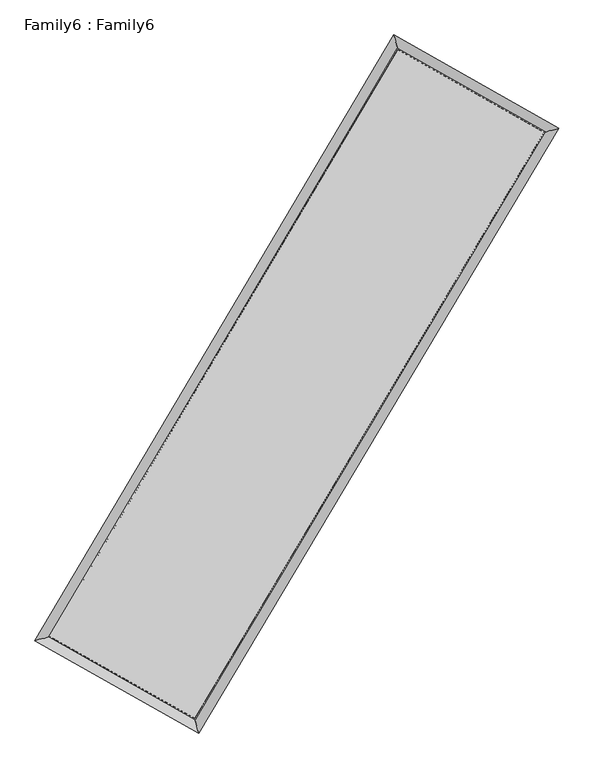
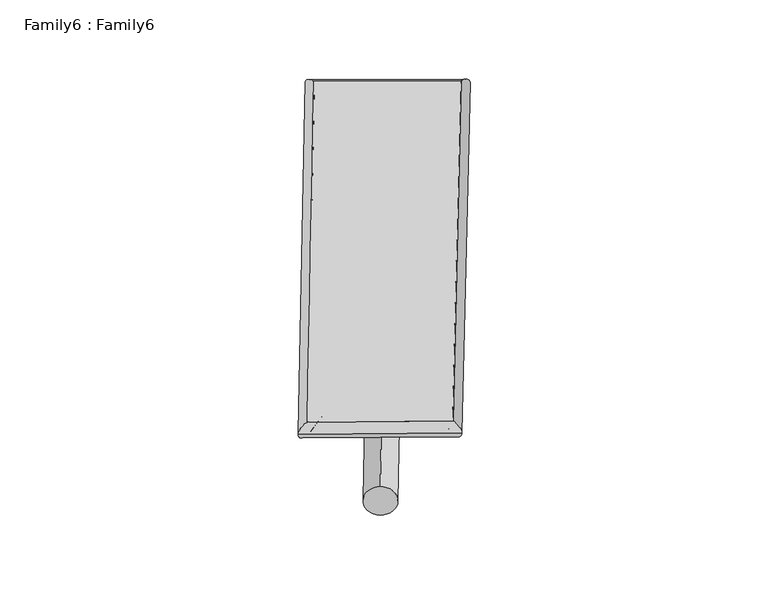
"""IFC4 building model written with IfcOpenShell, lengths in millimetres: plate geometry, Family6 : Family6."""

from ifc_helpers import new_model, si_unit, point, frame, origin, origin_2d, place, context, project, spatial, circle_curve, ellipse_curve, trimmed, segment, composite_curve, outline, extrude, source, transform, mapped, element, save
from ifc_brep_helpers import plane_surface, cylinder_surface, spline_surface, advanced_brep


def family6_family6_0fd2f6f8(model_context):
    return source(origin(), model_context, "Body", "SolidModel", [
        extrude(outline(composite_curve([segment(trimmed(circle_curve(origin_2d(), 76.2), [point((-75.4341514, -10.7763074))], [point((75.4341514, 10.7763074))], False, "CARTESIAN"), True, "CONTINUOUS"), segment(trimmed(circle_curve(origin_2d(), 76.2), [point((75.4341514, 10.7763074))], [point((-75.4341514, -10.7763074))], False, "CARTESIAN"), True, "CONTINUOUS")], self_intersect=False)), frame((9144.0, 9144.0, 0.0), z_axis=(0.6754645994430306, 0.6856260576853421, 0.2714120187503168), x_axis=(-0.6776129937225829, 0.7223041301474186, -0.13826559337123623)), (0.0, 0.0, 1.0), 5593.7351685),
        extrude(outline(composite_curve([segment(trimmed(circle_curve(origin_2d(), 76.2), [point((-53.8815367, 53.8815367))], [point((53.8815367, -53.8815367))], False, "CARTESIAN"), True, "CONTINUOUS"), segment(trimmed(circle_curve(origin_2d(), 76.2), [point((53.8815367, -53.8815367))], [point((-53.8815367, 53.8815367))], False, "CARTESIAN"), True, "CONTINUOUS")], self_intersect=False)), frame((9144.0, 9144.0, 0.0), z_axis=(-0.6738952157019648, -0.6871447693799909, 0.27147247405164593), x_axis=(0.6403408620494276, -0.35991933120683367, 0.6785437756058349)), (0.0, 0.0, 1.0), 5592.1214717),
        extrude(outline(composite_curve([segment(trimmed(circle_curve(origin_2d(), 76.2), [point((-53.8815367, -53.8815368))], [point((53.8815367, 53.8815368))], False, "CARTESIAN"), True, "CONTINUOUS"), segment(trimmed(circle_curve(origin_2d(), 76.2), [point((53.8815367, 53.8815368))], [point((-53.8815367, -53.8815368))], False, "CARTESIAN"), True, "CONTINUOUS")], self_intersect=False)), frame((9144.0, 9144.0, 0.0), z_axis=(0.2765327523416847, 0.9207095967688256, 0.27536062772320835), x_axis=(-0.8397328652638307, 0.37083814617384986, -0.3966456659767501)), (0.0, 0.0, 1.0), 5544.4770974),
        extrude(outline(composite_curve([segment(trimmed(circle_curve(origin_2d(), 76.2), [point((-75.4341514, 10.7763074))], [point((75.4341514, -10.7763074))], False, "CARTESIAN"), True, "CONTINUOUS"), segment(trimmed(circle_curve(origin_2d(), 76.2), [point((75.4341514, -10.7763074))], [point((-75.4341514, 10.7763074))], False, "CARTESIAN"), True, "CONTINUOUS")], self_intersect=False)), frame((9144.0, 9144.0, 0.0), z_axis=(-0.2785877999153084, -0.9200447999112338, 0.2755111683664496), x_axis=(0.8770397429877629, -0.1268046464856429, 0.4633809133419396)), (0.0, 0.0, 1.0), 5541.1984447),
        advanced_brep(
        [(5165.0410888, 5245.183878, 1518.7702156), (5585.9534974, 5357.625572, 1518.9716573), (5585.9511004, 5357.622084, 1517.4438867), (10732.2077003, 14042.6825142, 1525.8146355), (10622.2513238, 14455.0240311, 1527.6467524), (5165.0386917, 5245.18039, 1517.2424449), (12711.6592146, 12923.288852, 1518.299592), (13133.0809554, 13035.1323306, 1518.1143169), (7545.5510785, 4251.7341509, 1526.5069046), (7655.0283543, 3839.9642205, 1526.8172107)],
        [
            (0, 1, ellipse_curve(frame((5375.4960946, 5301.402981, 1518.1070511), z_axis=(-0.2580865255312288, 0.9661201284280412, -0.0018007735569896947), x_axis=(-0.9661162073089131, -0.2580909273439739, -0.0029235590927507936)), 217.8396194, 152.4)),
            (1, 2, ellipse_curve(frame((5375.4960946, 5301.402981, 1518.1070511), z_axis=(-0.2580865255312288, 0.9661201284280412, -0.0018007735569896947), x_axis=(-0.9661162073089131, -0.2580909273439739, -0.0029235590927507936)), 217.8396194, 152.4)),
            (2, 3),
            (3, 4, ellipse_curve(frame((10677.229512, 14248.8532727, 1526.7306939), z_axis=(-0.966232365822528, -0.2576664742439918, 0.0017329996164663281), x_axis=(0.257660792648256, -0.9662309221840862, -0.0029531249825354806)), 213.3773664, 152.4)),
            (4, 0),
            (2, 5, ellipse_curve(frame((5375.4960946, 5301.402981, 1518.1070511), z_axis=(-0.2580865255312288, 0.9661201284280412, -0.0018007735569896947), x_axis=(-0.9661162073089131, -0.2580909273439739, -0.0029235590927507936)), 217.8396194, 152.4)),
            (5, 0, ellipse_curve(frame((5375.4960946, 5301.402981, 1518.1070511), z_axis=(-0.2580865255312288, 0.9661201284280412, -0.0018007735569896947), x_axis=(-0.9661162073089131, -0.2580909273439739, -0.0029235590927507936)), 217.8396194, 152.4)),
            (4, 3, ellipse_curve(frame((10677.229512, 14248.8532727, 1526.7306939), z_axis=(-0.966232365822528, -0.2576664742439918, 0.0017329996164663281), x_axis=(0.257660792648256, -0.9662309221840862, -0.0029531249825354806)), 213.3773664, 152.4)),
            (3, 6),
            (6, 7, ellipse_curve(frame((12922.370085, 12979.2105913, 1518.2069544), z_axis=(-0.25651436156625823, 0.9665387764991057, 0.0017820869414192247), x_axis=(-0.9665349884426663, -0.2565186651023303, 0.0028793350366447955)), 218.0060091, 152.4)),
            (7, 4),
            (7, 6, ellipse_curve(frame((12922.370085, 12979.2105913, 1518.2069544), z_axis=(-0.25651436156625823, 0.9665387764991057, 0.0017820869414192247), x_axis=(-0.9665349884426663, -0.2565186651023303, 0.0028793350366447955)), 218.0060091, 152.4)),
            (6, 8),
            (8, 9, ellipse_curve(frame((7600.2897164, 4045.8491857, 1526.6620576), z_axis=(0.9664245013910795, 0.2569446283077285, 0.0017723134053125246), x_axis=(-0.2569387914588401, 0.9664230896960362, -0.0029781111527536113)), 213.0379793, 152.4)),
            (9, 7),
            (9, 8, ellipse_curve(frame((7600.2897164, 4045.8491857, 1526.6620576), z_axis=(0.9664245013910795, 0.2569446283077285, 0.0017723134053125246), x_axis=(-0.2569387914588401, 0.9664230896960362, -0.0029781111527536113)), 213.0379793, 152.4)),
            (8, 1),
            (5, 9),
        ],
        [
            cylinder_surface(frame((5375.4960946, 5301.402981, 1518.1070511), z_axis=(-0.5097695266240516, -0.8603106079739952, -0.0008291760399687198), x_axis=(-0.8603014769949923, 0.5097591059437968, 0.005198325462652423)), 152.4),
            cylinder_surface(frame((10677.229512, 14248.8532727, 1526.7306939), z_axis=(-0.8704500818695798, 0.49224560334104356, 0.0033046882839852937), x_axis=(0.492254374601796, 0.8704469796131377, 0.00277242993795516)), 152.4),
            cylinder_surface(frame((12922.370085, 12979.2105913, 1518.2069544), z_axis=(0.5118105299597225, 0.8590979689665179, -0.0008131051296054139), x_axis=(0.8590983245905693, -0.5118105299597225, 0.00022384821792239976)), 152.4),
            cylinder_surface(frame((7600.2897164, 4045.8491857, 1526.6620576), z_axis=(0.870882776746534, -0.49147937357304783, 0.003348808518110191), x_axis=(-0.49147431148512555, -0.870889157912089, -0.0022529494877646977)), 152.4),
        ],
        [
            (0, [[1, 2, 3, 4, 5]]),
            (0, [[6, 7, -5, 8, -3]]),
            (1, [[-4, 9, 10, 11]]),
            (1, [[-8, -11, 12, -9]]),
            (2, [[-10, 13, 14, 15]]),
            (2, [[-12, -15, 16, -13]]),
            (3, [[-14, 17, -1, -7, 18]]),
            (3, [[-16, -18, -6, -2, -17]]),
        ],
    ),
        extrude(outline(composite_curve([segment(trimmed(circle_curve(origin_2d(), 304.8), [point((-1e-07, 304.8))], [point((0.0, -304.8))], False, "CARTESIAN"), True, "CONTINUOUS"), segment(trimmed(circle_curve(origin_2d(), 304.8), [point((0.0, -304.8))], [point((-1e-07, 304.8))], False, "CARTESIAN"), True, "CONTINUOUS")], self_intersect=False)), frame((11807.6865424, 13638.1801727, -0.0002675), z_axis=(-0.5098687824505339, -0.8602521866769114, 5.1197836831507376e-08), x_axis=(-0.8602521866769127, 0.5098687824505339, -1.4032602093597507e-08)), (0.0, 0.0, 1.0), 10448.5178701),
        advanced_brep(
        [(5375.4960946, 5301.402981, 1518.1070511), (7600.2897164, 4045.8491857, 1526.6620576), (7600.290401, 4045.8473267, 1679.0620576), (5375.4967792, 5301.4011219, 1670.5070511), (12922.370085, 12979.2105913, 1518.2069544), (12922.3707696, 12979.2087323, 1670.6069544), (10677.229512, 14248.8532727, 1526.7306939), (10677.2301967, 14248.8514136, 1679.1306939)],
        [
            (0, 1),
            (1, 2),
            (2, 3),
            (3, 0),
            (1, 4),
            (4, 5),
            (5, 2),
            (4, 6),
            (6, 7),
            (7, 5),
            (6, 0),
            (3, 7),
        ],
        [
            plane_surface(frame((6487.8929055, 4673.6260833, 1522.3845544), z_axis=(-0.4914821048871126, -0.8708876738735655, -8.41569445159205e-06), x_axis=(0.8708827767465339, -0.4914793735730483, 0.00334880851811019))),
            plane_surface(frame((10261.3299007, 8512.5298885, 1522.434506), z_axis=(0.8590982487105759, -0.5118107061798925, -1.0102550285520228e-05), x_axis=(0.5118105299597226, 0.8590979689665179, -0.0008131051296054168))),
            plane_surface(frame((11799.7997985, 13614.031932, 1522.4688242), z_axis=(0.49224831542755865, 0.8704548212791139, 8.406972343196926e-06), x_axis=(-0.8704500818695794, 0.49224560334104395, 0.0033046882839852915))),
            plane_surface(frame((8026.3628033, 9775.1281268, 1522.4188725), z_axis=(-0.8603109079383554, 0.5097696946471162, 1.008310047102102e-05), x_axis=(-0.5097695266240518, -0.8603106079739951, -0.0008291760399687208))),
            spline_surface(1, 1, [[(7600.290401, 4045.8473267, 1679.0620576), (5375.4967792, 5301.4011219, 1670.5070511)], [(12922.3707696, 12979.2087323, 1670.6069544), (10677.2301967, 14248.8514136, 1679.1306939)]], [2, 2], [2, 2], [0.0, 1.0], [0.0, 1.0]),
            spline_surface(1, 1, [[(10677.229512, 14248.8532727, 1526.7306939), (5375.4960946, 5301.402981, 1518.1070511)], [(12922.370085, 12979.2105913, 1518.2069544), (7600.2897164, 4045.8491857, 1526.6620576)]], [2, 2], [2, 2], [0.0, 1.0], [0.0, 1.0]),
        ],
        [
            (0, [[1, 2, 3, 4]]),
            (1, [[5, 6, 7, -2]]),
            (2, [[8, 9, 10, -6]]),
            (3, [[11, -4, 12, -9]]),
            (4, [[-3, -7, -10, -12]]),
            (5, [[-11, -8, -5, -1]]),
        ],
    ),
    ])


if __name__ == "__main__":
    model = new_model("IFC4")
    model_context = context("Model", 3, world=origin())
    ifc_project = project(units=[si_unit("LENGTHUNIT", "METRE", prefix="MILLI")], contexts=[model_context])
    site = spatial("IfcSite", under=ifc_project)
    building = spatial("IfcBuilding", under=site)
    placement = place(None, origin())
    family6_family6_shape = family6_family6_0fd2f6f8(model_context)
    element("IfcPlate", 1, ObjectType="Family6 : Family6", at=placement, inside=building, context=model_context, shape_type="MappedRepresentation", body=[
        mapped(family6_family6_shape, transform((0.0, 0.0, 0.0), x_axis=(1.0, 0.0, 0.0), y_axis=(0.0, 1.0, 0.0), z_axis=(0.0, 0.0, 1.0))),
    ])
    save(model, "model.ifc")
